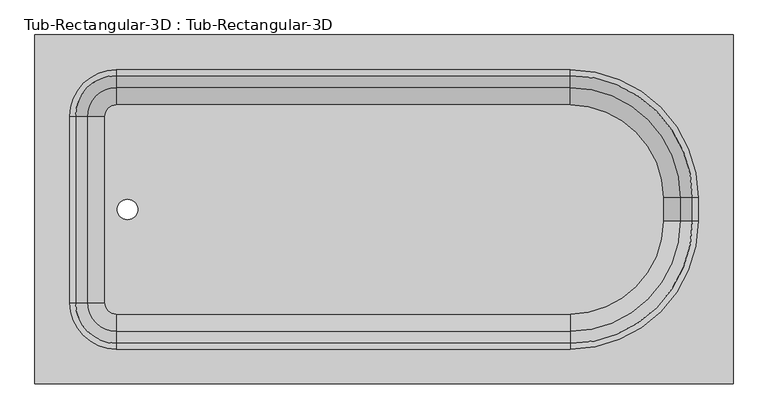
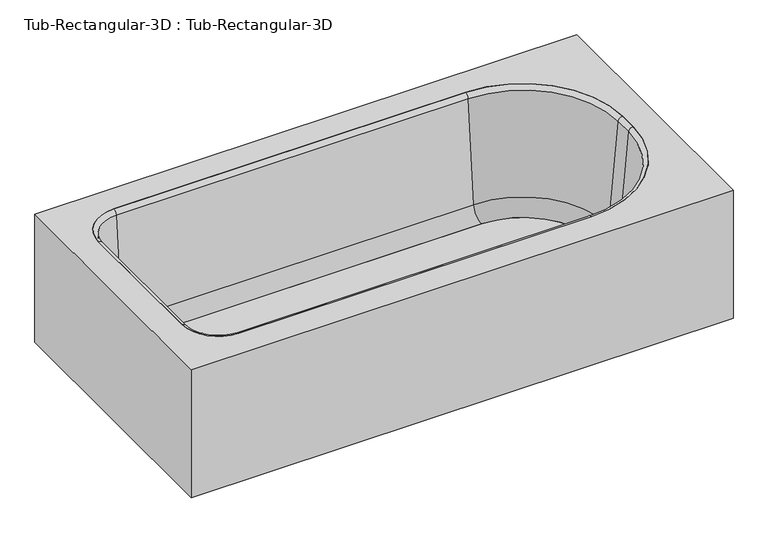
"""IFC4 building model written with IfcOpenShell, lengths in millimetres: flow terminal geometry, Tub-Rectangular-3D : Tub-Rectangular-3D."""

from ifc_helpers import new_model, si_unit, point, frame, frame_2d, origin, place, context, project, spatial, polyline, circle_curve, ellipse_curve, trimmed, segment, composite_curve, outline, extrude, source, transform, mapped, element, save
from ifc_brep_helpers import plane_surface, cylinder_surface, revolved_surface, advanced_brep


def tub_rectangular_3d_tub_rectangular_3d_e7260683(model_context):
    return source(origin(), model_context, "Body", "SolidModel", [
        advanced_brep(
        [(413.3970313, 885.825, 381.0), (-1110.6029687, 885.825, 381.0), (-1110.6029687, 123.825, 381.0), (413.3970313, 123.825, 381.0), (-932.8029687, 809.625, 381.0), (57.7970313, 809.625, 381.0), (337.1970313, 530.225, 381.0), (337.1970313, 479.425, 381.0), (57.7970313, 200.025, 381.0), (-932.8029687, 200.025, 381.0), (-1034.4029687, 301.625, 381.0), (-1034.4029687, 708.025, 381.0), (394.3470313, 866.775, 361.95), (394.3470313, 142.875, 361.95), (-1091.5529687, 142.875, 361.95), (-1091.5529687, 866.775, 361.95), (-932.8029687, 809.625, 361.95), (-1034.4029687, 708.025, 361.95), (-1034.4029687, 301.625, 361.95), (-932.8029687, 200.025, 361.95), (57.7970313, 200.025, 361.95), (337.1970313, 479.425, 361.95), (337.1970313, 530.225, 361.95), (57.7970313, 809.625, 361.95), (413.3970313, 885.825, 0.0), (-1110.6029687, 885.825, 0.0), (-1110.6029687, 123.825, 0.0), (413.3970313, 123.825, 0.0), (394.3470313, 866.775, 0.0), (-1091.5529687, 866.775, 0.0), (-1091.5529687, 142.875, 0.0), (394.3470313, 142.875, 0.0)],
        [
            (0, 1),
            (1, 2),
            (2, 3),
            (3, 0),
            (4, 5),
            (5, 6, circle_curve(frame((57.7970313, 530.225, 381.0), z_axis=(0.0, 0.0, -1.0), x_axis=(0.0, 1.0, 0.0)), 279.4)),
            (6, 7),
            (7, 8, circle_curve(frame((57.7970313, 479.425, 381.0), z_axis=(0.0, 0.0, -1.0), x_axis=(0.0, 1.0, 0.0)), 279.4)),
            (8, 9),
            (9, 10, circle_curve(frame((-932.8029687, 301.625, 381.0), z_axis=(0.0, 0.0, -1.0), x_axis=(0.0, 1.0, 0.0)), 101.6)),
            (10, 11),
            (11, 4, circle_curve(frame((-932.8029687, 708.025, 381.0), z_axis=(0.0, 0.0, -1.0), x_axis=(0.0, 1.0, 0.0)), 101.6)),
            (12, 13),
            (13, 14),
            (14, 15),
            (15, 12),
            (16, 17, circle_curve(frame((-932.8029687, 708.025, 361.95), z_axis=(0.0, 0.0, 1.0), x_axis=(0.0, 1.0, 0.0)), 101.6)),
            (17, 18),
            (18, 19, circle_curve(frame((-932.8029687, 301.625, 361.95), z_axis=(0.0, 0.0, 1.0), x_axis=(0.0, 1.0, 0.0)), 101.6)),
            (19, 20),
            (20, 21, circle_curve(frame((57.7970313, 479.425, 361.95), z_axis=(0.0, 0.0, 1.0), x_axis=(0.0, 1.0, 0.0)), 279.4)),
            (21, 22),
            (22, 23, circle_curve(frame((57.7970313, 530.225, 361.95), z_axis=(0.0, 0.0, 1.0), x_axis=(0.0, 1.0, 0.0)), 279.4)),
            (23, 16),
            (0, 24),
            (24, 25),
            (25, 1),
            (25, 26),
            (26, 2),
            (26, 27),
            (27, 3),
            (27, 24),
            (4, 16),
            (23, 5),
            (22, 6),
            (21, 7),
            (20, 8),
            (19, 9),
            (18, 10),
            (17, 11),
            (28, 29),
            (29, 30),
            (30, 31),
            (31, 28),
            (31, 13),
            (12, 28),
            (30, 14),
            (29, 15),
        ],
        [
            plane_surface(frame((-1110.6029687, 885.825, 381.0), z_axis=(0.0, 0.0, 1.0), x_axis=(-1.0, 0.0, 0.0))),
            plane_surface(frame((-1110.6029687, 885.825, 361.95), z_axis=(0.0, 0.0, -1.0), x_axis=(1.0, 0.0, 0.0))),
            plane_surface(frame((413.3970313, 885.825, 381.0), z_axis=(0.0, 1.0, 0.0), x_axis=(0.0, 0.0, -1.0))),
            plane_surface(frame((-1110.6029687, 885.825, 381.0), z_axis=(-1.0, 0.0, 0.0), x_axis=(0.0, 0.0, -1.0))),
            plane_surface(frame((-1110.6029687, 123.825, 381.0), z_axis=(0.0, -1.0, 0.0), x_axis=(0.0, 0.0, -1.0))),
            plane_surface(frame((413.3970313, 123.825, 381.0), z_axis=(1.0, 0.0, 0.0), x_axis=(0.0, 0.0, -1.0))),
            plane_surface(frame((-932.8029687, 809.625, 381.0), z_axis=(0.0, -1.0, 0.0), x_axis=(0.0, 0.0, -1.0))),
            revolved_surface(polyline([(57.7970313, 809.625, 361.95), (57.7970313, 809.625, 381.0)]), (57.7970313, 530.225, 381.0), (0.0, 0.0, -1.0)),
            plane_surface(frame((337.1970313, 530.225, 381.0), z_axis=(-1.0, 0.0, 0.0), x_axis=(0.0, 0.0, -1.0))),
            revolved_surface(polyline([(57.7970313, 758.825, 361.95), (57.7970313, 758.825, 381.0)]), (57.7970313, 479.425, 381.0), (0.0, 0.0, -1.0)),
            plane_surface(frame((57.7970313, 200.025, 381.0), z_axis=(0.0, 1.0, 0.0), x_axis=(0.0, 0.0, -1.0))),
            revolved_surface(polyline([(-932.8029687, 403.225, 361.95), (-932.8029687, 403.225, 381.0)]), (-932.8029687, 301.625, 381.0), (0.0, 0.0, -1.0)),
            plane_surface(frame((-1034.4029687, 301.625, 381.0), z_axis=(1.0, 0.0, 0.0), x_axis=(0.0, 0.0, -1.0))),
            revolved_surface(polyline([(-932.8029687, 809.625, 361.95), (-932.8029687, 809.625, 381.0)]), (-932.8029687, 708.025, 381.0), (0.0, 0.0, -1.0)),
            plane_surface(frame((-1110.6029687, 885.825, 0.0), z_axis=(0.0, 0.0, -1.0), x_axis=(1.0, 0.0, 0.0))),
            plane_surface(frame((394.3470313, 866.775, 361.95), z_axis=(-1.0, 0.0, 0.0), x_axis=(0.0, 0.0, -1.0))),
            plane_surface(frame((394.3470313, 142.875, 361.95), z_axis=(0.0, 1.0, 0.0), x_axis=(0.0, 0.0, -1.0))),
            plane_surface(frame((-1091.5529687, 142.875, 361.95), z_axis=(1.0, 0.0, 0.0), x_axis=(0.0, 0.0, -1.0))),
            plane_surface(frame((-1091.5529687, 866.775, 361.95), z_axis=(0.0, -1.0, 0.0), x_axis=(0.0, 0.0, -1.0))),
        ],
        [
            (0, [[1, 2, 3, 4], [5, 6, 7, 8, 9, 10, 11, 12]]),
            (1, [[13, 14, 15, 16], [17, 18, 19, 20, 21, 22, 23, 24]]),
            (2, [[-1, 25, 26, 27]]),
            (3, [[-2, -27, 28, 29]]),
            (4, [[-3, -29, 30, 31]]),
            (5, [[-25, -4, -31, 32]]),
            (6, [[-5, 33, -24, 34]]),
            (7, [[-6, -34, -23, 35]]),
            (8, [[-7, -35, -22, 36]]),
            (9, [[-8, -36, -21, 37]]),
            (10, [[-9, -37, -20, 38]]),
            (11, [[-10, -38, -19, 39]]),
            (12, [[-11, -39, -18, 40]]),
            (13, [[-12, -40, -17, -33]]),
            (14, [[-32, -30, -28, -26], [41, 42, 43, 44]]),
            (15, [[-44, 45, -13, 46]]),
            (16, [[-43, 47, -14, -45]]),
            (17, [[-42, 48, -15, -47]]),
            (18, [[-41, -46, -16, -48]]),
        ],
    ),
        extrude(outline(composite_curve([segment(trimmed(circle_curve(frame_2d((57.7970313, 530.225)), 202.7964741), [point((57.7970313, 733.0214741))], [point((260.5935054, 530.225))], False, "CARTESIAN"), True, "CONTINUOUS"), segment(polyline([(260.5935054, 530.225), (260.5935054, 479.425)]), True, "CONTINUOUS"), segment(trimmed(circle_curve(frame_2d((57.7970313, 479.425)), 202.7964741), [point((260.5935054, 479.425))], [point((57.7970313, 276.6285259))], False, "CARTESIAN"), True, "CONTINUOUS"), segment(polyline([(57.7970313, 276.6285259), (-932.8029687, 276.6285259)]), True, "CONTINUOUS"), segment(trimmed(circle_curve(frame_2d((-932.8029687, 301.625)), 24.9964741), [point((-932.8029687, 276.6285259))], [point((-957.7994428, 301.625))], False, "CARTESIAN"), True, "CONTINUOUS"), segment(polyline([(-957.7994428, 301.625), (-957.7994428, 708.025)]), True, "CONTINUOUS"), segment(trimmed(circle_curve(frame_2d((-932.8029687, 708.025)), 24.9964741), [point((-957.7994428, 708.025))], [point((-932.8029687, 733.0214741))], False, "CARTESIAN"), True, "CONTINUOUS"), segment(polyline([(-932.8029687, 733.0214741), (57.7970313, 733.0214741)]), True, "CONTINUOUS")], self_intersect=False), holes=[composite_curve([segment(trimmed(circle_curve(frame_2d((-908.510206, 504.825)), 22.225), [point((-908.510206, 527.05))], [point((-908.510206, 482.6))], True, "CARTESIAN"), True, "CONTINUOUS"), segment(trimmed(circle_curve(frame_2d((-908.510206, 504.825)), 22.225), [point((-908.510206, 482.6))], [point((-908.510206, 527.05))], True, "CARTESIAN"), True, "CONTINUOUS")], self_intersect=False)]), frame((0.0, 0.0, 16.863573), z_axis=(0.0, 0.0, 1.0), x_axis=(1.0, 0.0, 0.0)), (0.0, 0.0, 1.0), 19.05),
        advanced_brep(
        [(-995.7544608, 708.025, 70.6929392), (-932.8029687, 770.9764921, 70.6929392), (-932.8029687, 797.1470035, 369.8232535), (-1021.9249722, 708.025, 369.8232535), (-957.7994428, 708.025, 35.913573), (-932.8029687, 733.0214741, 35.913573), (-957.7994428, 708.025, 16.863573), (-932.8029687, 733.0214741, 16.863573), (-1034.4029687, 708.025, 16.863573), (-932.8029687, 809.625, 16.863573), (-1034.4029687, 708.025, 381.0), (-932.8029687, 809.625, 381.0), (-1021.9249722, 301.625, 369.8232535), (-995.7544608, 301.625, 70.6929392), (-957.7994428, 301.625, 35.913573), (-957.7994428, 301.625, 16.863573), (-1034.4029687, 301.625, 16.863573), (-1034.4029687, 301.625, 381.0), (-932.8029687, 238.6735079, 70.6929392), (-932.8029687, 212.5029965, 369.8232535), (-932.8029687, 276.6285259, 35.913573), (-932.8029687, 276.6285259, 16.863573), (-932.8029687, 200.025, 16.863573), (-932.8029687, 200.025, 381.0), (57.7970313, 212.5029965, 369.8232535), (57.7970313, 238.6735079, 70.6929392), (57.7970313, 276.6285259, 35.913573), (57.7970313, 276.6285259, 16.863573), (57.7970313, 200.025, 16.863573), (57.7970313, 200.025, 381.0), (298.5485234, 479.425, 70.6929392), (324.7190348, 479.425, 369.8232535), (260.5935054, 479.425, 35.913573), (260.5935054, 479.425, 16.863573), (337.1970313, 479.425, 16.863573), (337.1970313, 479.425, 381.0), (324.7190348, 530.225, 369.8232535), (298.5485234, 530.225, 70.6929392), (260.5935054, 530.225, 35.913573), (260.5935054, 530.225, 16.863573), (337.1970313, 530.225, 16.863573), (337.1970313, 530.225, 381.0), (57.7970313, 770.9764921, 70.6929392), (57.7970313, 797.1470035, 369.8232535), (57.7970313, 733.0214741, 35.913573), (57.7970313, 733.0214741, 16.863573), (57.7970313, 809.625, 16.863573), (57.7970313, 809.625, 381.0)],
        [
            (0, 1, circle_curve(frame((-932.8029687, 708.025, 70.6929392), z_axis=(0.0, 0.0, -1.0), x_axis=(0.0, 1.0, 0.0)), 62.9514921)),
            (1, 2),
            (2, 3, circle_curve(frame((-932.8029687, 708.025, 369.8232535), z_axis=(0.0, 0.0, 1.0), x_axis=(0.0, 1.0, 0.0)), 89.1220035)),
            (3, 0),
            (4, 5, circle_curve(frame((-932.8029687, 708.025, 35.913573), z_axis=(0.0, 0.0, -1.0), x_axis=(0.0, 1.0, 0.0)), 24.9964741)),
            (5, 1, circle_curve(frame((-932.8029687, 733.0214741, 74.013573), z_axis=(1.0, 0.0, 0.0), x_axis=(0.0, -1.0, 0.0)), 38.1)),
            (0, 4, circle_curve(frame((-957.7994428, 708.025, 74.013573), z_axis=(0.0, -1.0, 0.0), x_axis=(1.0, 0.0, 0.0)), 38.1)),
            (6, 7, circle_curve(frame((-932.8029687, 708.025, 16.863573), z_axis=(0.0, 0.0, -1.0), x_axis=(0.0, 1.0, 0.0)), 24.9964741)),
            (7, 5),
            (4, 6),
            (8, 9, circle_curve(frame((-932.8029687, 708.025, 16.863573), z_axis=(0.0, 0.0, -1.0), x_axis=(0.0, 1.0, 0.0)), 101.6)),
            (9, 7),
            (6, 8),
            (10, 11, circle_curve(frame((-932.8029687, 708.025, 381.0), z_axis=(0.0, 0.0, -1.0), x_axis=(0.0, 1.0, 0.0)), 101.6)),
            (11, 9),
            (8, 10),
            (2, 11, circle_curve(frame((-932.8029687, 809.625, 368.4462547), z_axis=(-1.0, 0.0, 0.0), x_axis=(0.0, -1.0, 0.0)), 12.5537453)),
            (10, 3, circle_curve(frame((-1034.4029687, 708.025, 368.4462547), z_axis=(0.0, 1.0, 0.0), x_axis=(1.0, 0.0, 0.0)), 12.5537453)),
            (3, 12),
            (12, 13),
            (13, 0),
            (13, 14, circle_curve(frame((-957.7994428, 301.625, 74.013573), z_axis=(0.0, -1.0, 0.0), x_axis=(1.0, 0.0, 0.0)), 38.1)),
            (14, 4),
            (14, 15),
            (15, 6),
            (15, 16),
            (16, 8),
            (16, 17),
            (17, 10),
            (17, 12, circle_curve(frame((-1034.4029687, 301.625, 368.4462547), z_axis=(0.0, 1.0, 0.0), x_axis=(1.0, 0.0, 0.0)), 12.5537453)),
            (18, 13, circle_curve(frame((-932.8029687, 301.625, 70.6929392), z_axis=(0.0, 0.0, -1.0), x_axis=(-1.0, 0.0, 0.0)), 62.9514921)),
            (12, 19, circle_curve(frame((-932.8029687, 301.625, 369.8232535), z_axis=(0.0, 0.0, 1.0), x_axis=(-1.0, 0.0, 0.0)), 89.1220035)),
            (19, 18),
            (20, 14, circle_curve(frame((-932.8029687, 301.625, 35.913573), z_axis=(0.0, 0.0, -1.0), x_axis=(-1.0, 0.0, 0.0)), 24.9964741)),
            (18, 20, circle_curve(frame((-932.8029687, 276.6285259, 74.013573), z_axis=(1.0, 0.0, 0.0), x_axis=(0.0, 1.0, 0.0)), 38.1)),
            (21, 15, circle_curve(frame((-932.8029687, 301.625, 16.863573), z_axis=(0.0, 0.0, -1.0), x_axis=(-1.0, 0.0, 0.0)), 24.9964741)),
            (20, 21),
            (22, 16, circle_curve(frame((-932.8029687, 301.625, 16.863573), z_axis=(0.0, 0.0, -1.0), x_axis=(-1.0, 0.0, 0.0)), 101.6)),
            (21, 22),
            (23, 17, circle_curve(frame((-932.8029687, 301.625, 381.0), z_axis=(0.0, 0.0, -1.0), x_axis=(-1.0, 0.0, 0.0)), 101.6)),
            (22, 23),
            (23, 19, circle_curve(frame((-932.8029687, 200.025, 368.4462547), z_axis=(-1.0, 0.0, 0.0), x_axis=(0.0, 1.0, 0.0)), 12.5537453)),
            (19, 24),
            (24, 25),
            (25, 18),
            (25, 26, circle_curve(frame((57.7970313, 276.6285259, 74.013573), z_axis=(1.0, 0.0, 0.0), x_axis=(0.0, 1.0, 0.0)), 38.1)),
            (26, 20),
            (26, 27),
            (27, 21),
            (27, 28),
            (28, 22),
            (28, 29),
            (29, 23),
            (29, 24, circle_curve(frame((57.7970313, 200.025, 368.4462547), z_axis=(-1.0, 0.0, 0.0), x_axis=(0.0, 1.0, 0.0)), 12.5537453)),
            (30, 25, circle_curve(frame((57.7970313, 479.425, 70.6929392), z_axis=(0.0, 0.0, -1.0), x_axis=(0.0, -1.0, 0.0)), 240.7514921)),
            (24, 31, circle_curve(frame((57.7970313, 479.425, 369.8232535), z_axis=(0.0, 0.0, 1.0), x_axis=(0.0, -1.0, 0.0)), 266.9220035)),
            (31, 30),
            (32, 26, circle_curve(frame((57.7970313, 479.425, 35.913573), z_axis=(0.0, 0.0, -1.0), x_axis=(0.0, -1.0, 0.0)), 202.7964741)),
            (30, 32, circle_curve(frame((260.5935054, 479.425, 74.013573), z_axis=(0.0, 1.0, 0.0), x_axis=(-1.0, 0.0, 0.0)), 38.1)),
            (33, 27, circle_curve(frame((57.7970313, 479.425, 16.863573), z_axis=(0.0, 0.0, -1.0), x_axis=(0.0, -1.0, 0.0)), 202.7964741)),
            (32, 33),
            (34, 28, circle_curve(frame((57.7970313, 479.425, 16.863573), z_axis=(0.0, 0.0, -1.0), x_axis=(0.0, -1.0, 0.0)), 279.4)),
            (33, 34),
            (35, 29, circle_curve(frame((57.7970313, 479.425, 381.0), z_axis=(0.0, 0.0, -1.0), x_axis=(0.0, -1.0, 0.0)), 279.4)),
            (34, 35),
            (35, 31, circle_curve(frame((337.1970313, 479.425, 368.4462547), z_axis=(0.0, -1.0, 0.0), x_axis=(-1.0, 0.0, 0.0)), 12.5537453)),
            (31, 36),
            (36, 37),
            (37, 30),
            (37, 38, circle_curve(frame((260.5935054, 530.225, 74.013573), z_axis=(0.0, 1.0, 0.0), x_axis=(-1.0, 0.0, 0.0)), 38.1)),
            (38, 32),
            (38, 39),
            (39, 33),
            (39, 40),
            (40, 34),
            (40, 41),
            (41, 35),
            (41, 36, circle_curve(frame((337.1970313, 530.225, 368.4462547), z_axis=(0.0, -1.0, 0.0), x_axis=(-1.0, 0.0, 0.0)), 12.5537453)),
            (42, 37, circle_curve(frame((57.7970313, 530.225, 70.6929392), z_axis=(0.0, 0.0, -1.0), x_axis=(1.0, 0.0, 0.0)), 240.7514921)),
            (36, 43, circle_curve(frame((57.7970313, 530.225, 369.8232535), z_axis=(0.0, 0.0, 1.0), x_axis=(1.0, 0.0, 0.0)), 266.9220035)),
            (43, 42),
            (44, 38, circle_curve(frame((57.7970313, 530.225, 35.913573), z_axis=(0.0, 0.0, -1.0), x_axis=(1.0, 0.0, 0.0)), 202.7964741)),
            (42, 44, circle_curve(frame((57.7970313, 733.0214741, 74.013573), z_axis=(-1.0, 0.0, 0.0), x_axis=(0.0, -1.0, 0.0)), 38.1)),
            (45, 39, circle_curve(frame((57.7970313, 530.225, 16.863573), z_axis=(0.0, 0.0, -1.0), x_axis=(1.0, 0.0, 0.0)), 202.7964741)),
            (44, 45),
            (46, 40, circle_curve(frame((57.7970313, 530.225, 16.863573), z_axis=(0.0, 0.0, -1.0), x_axis=(1.0, 0.0, 0.0)), 279.4)),
            (45, 46),
            (47, 41, circle_curve(frame((57.7970313, 530.225, 381.0), z_axis=(0.0, 0.0, -1.0), x_axis=(1.0, 0.0, 0.0)), 279.4)),
            (46, 47),
            (47, 43, circle_curve(frame((57.7970313, 809.625, 368.4462547), z_axis=(1.0, 0.0, 0.0), x_axis=(0.0, -1.0, 0.0)), 12.5537453)),
            (43, 2),
            (1, 42),
            (5, 44),
            (7, 45),
            (9, 46),
            (11, 47),
        ],
        [
            revolved_surface(polyline([(-932.8029687, 797.1470035, 369.8232535), (-932.8029687, 770.9764921, 70.6929392)]), (-932.8029687, 708.025, 381.0), (0.0, 0.0, 1.0)),
            revolved_surface(trimmed(ellipse_curve(frame((-932.8029687, 733.0214741, 74.013573), z_axis=(-1.0, 0.0, 0.0), x_axis=(0.0, -1.0, 0.0)), 38.1, 38.1), [point((-932.8029687, 770.9764921, 70.6929392))], [point((-932.8029687, 733.0214741, 35.913573))], True, "CARTESIAN"), (-932.8029687, 708.025, 381.0), (0.0, 0.0, 1.0)),
            revolved_surface(polyline([(-932.8029687, 733.0214741, 35.913572999999985), (-932.8029687, 733.0214741, 16.863572999999974)]), (-932.8029687, 708.025, 381.0), (0.0, 0.0, 1.0)),
            plane_surface(frame((-932.8029687, 708.025, 16.863573), z_axis=(0.0, 0.0, -1.0), x_axis=(0.0, 1.0, 0.0))),
            cylinder_surface(frame((-932.8029687, 708.025, 381.0), z_axis=(0.0, 0.0, 1.0), x_axis=(0.0, 1.0, 0.0)), 101.6),
            revolved_surface(trimmed(ellipse_curve(frame((-932.8029687, 809.625, 368.4462547), z_axis=(1.0, 0.0, 0.0), x_axis=(0.0, -1.0, 0.0)), 12.5537453, 12.5537453), [point((-932.8029687, 809.625, 381.0))], [point((-932.8029687, 797.1470035, 369.8232535))], True, "CARTESIAN"), (-932.8029687, 708.025, 381.0), (0.0, 0.0, 1.0)),
            plane_surface(frame((-1021.9249722, 708.025, 369.8232535), z_axis=(0.9961946980917458, 0.0, 0.08715574274765589), x_axis=(0.0, -1.0, 0.0))),
            revolved_surface(polyline([(-919.6994427999999, 301.625, 74.013573), (-919.6994427999999, 708.025, 74.013573)]), (-957.7994428, 708.025, 74.013573), (0.0, -1.0, 0.0)),
            plane_surface(frame((-957.7994428, 708.025, 35.913573), z_axis=(1.0, 0.0, 0.0), x_axis=(0.0, -1.0, 0.0))),
            plane_surface(frame((-957.7994428, 708.025, 16.863573), z_axis=(0.0, 0.0, -1.0), x_axis=(0.0, -1.0, 0.0))),
            plane_surface(frame((-1034.4029687, 708.025, 16.863573), z_axis=(-1.0, 0.0, 0.0), x_axis=(0.0, -1.0, 0.0))),
            cylinder_surface(frame((-1034.4029687, 708.025, 368.4462547), z_axis=(0.0, 1.0, 0.0), x_axis=(1.0, 0.0, 0.0)), 12.5537453),
            revolved_surface(polyline([(-1021.9249722, 301.625, 369.8232535), (-995.7544608, 301.625, 70.6929392)]), (-932.8029687, 301.625, 381.0), (0.0, 0.0, 1.0)),
            revolved_surface(trimmed(ellipse_curve(frame((-957.7994428, 301.625, 74.013573), z_axis=(0.0, -1.0, 0.0), x_axis=(1.0, 0.0, 0.0)), 38.1, 38.1), [point((-995.7544608, 301.625, 70.6929392))], [point((-957.7994428, 301.625, 35.913573))], True, "CARTESIAN"), (-932.8029687, 301.625, 381.0), (0.0, 0.0, 1.0)),
            revolved_surface(polyline([(-957.7994428, 301.625, 35.913572999999985), (-957.7994428, 301.625, 16.863572999999974)]), (-932.8029687, 301.625, 381.0), (0.0, 0.0, 1.0)),
            plane_surface(frame((-932.8029687, 301.625, 16.863573), z_axis=(0.0, 0.0, -1.0), x_axis=(-1.0, 0.0, 0.0))),
            cylinder_surface(frame((-932.8029687, 301.625, 381.0), z_axis=(0.0, 0.0, 1.0), x_axis=(-1.0, 0.0, 0.0)), 101.6),
            revolved_surface(trimmed(ellipse_curve(frame((-1034.4029687, 301.625, 368.4462547), z_axis=(0.0, 1.0, 0.0), x_axis=(1.0, 0.0, 0.0)), 12.5537453, 12.5537453), [point((-1034.4029687, 301.625, 381.0))], [point((-1021.9249722, 301.625, 369.8232535))], True, "CARTESIAN"), (-932.8029687, 301.625, 381.0), (0.0, 0.0, 1.0)),
            plane_surface(frame((-932.8029687, 212.5029965, 369.8232535), z_axis=(0.0, 0.9961946980917461, 0.08715574274765266), x_axis=(1.0, 0.0, 0.0))),
            revolved_surface(polyline([(57.79703129999996, 314.7285259, 74.013573), (-932.8029687, 314.7285259, 74.013573)]), (-932.8029687, 276.6285259, 74.013573), (1.0, 0.0, 0.0)),
            plane_surface(frame((-932.8029687, 276.6285259, 35.913573), z_axis=(0.0, 1.0, 0.0), x_axis=(1.0, 0.0, 0.0))),
            plane_surface(frame((-932.8029687, 276.6285259, 16.863573), z_axis=(0.0, 0.0, -1.0), x_axis=(1.0, 0.0, 0.0))),
            plane_surface(frame((-932.8029687, 200.025, 16.863573), z_axis=(0.0, -1.0, 0.0), x_axis=(1.0, 0.0, 0.0))),
            cylinder_surface(frame((-932.8029687, 200.025, 368.4462547), z_axis=(-1.0, 0.0, 0.0), x_axis=(0.0, 1.0, 0.0)), 12.5537453),
            revolved_surface(polyline([(57.7970313, 212.5029965, 369.8232535), (57.7970313, 238.6735079, 70.6929392)]), (57.7970313, 479.425, 381.0), (0.0, 0.0, 1.0)),
            revolved_surface(trimmed(ellipse_curve(frame((57.7970313, 276.6285259, 74.013573), z_axis=(1.0, 0.0, 0.0), x_axis=(0.0, 1.0, 0.0)), 38.1, 38.1), [point((57.7970313, 238.6735079, 70.6929392))], [point((57.7970313, 276.6285259, 35.913573))], True, "CARTESIAN"), (57.7970313, 479.425, 381.0), (0.0, 0.0, 1.0)),
            revolved_surface(polyline([(57.7970313, 276.6285259, 35.913572999999985), (57.7970313, 276.6285259, 16.863572999999974)]), (57.7970313, 479.425, 381.0), (0.0, 0.0, 1.0)),
            plane_surface(frame((57.7970313, 479.425, 16.863573), z_axis=(0.0, 0.0, -1.0), x_axis=(0.0, -1.0, 0.0))),
            cylinder_surface(frame((57.7970313, 479.425, 381.0), z_axis=(0.0, 0.0, 1.0), x_axis=(0.0, -1.0, 0.0)), 279.4),
            revolved_surface(trimmed(ellipse_curve(frame((57.7970313, 200.025, 368.4462547), z_axis=(-1.0, 0.0, 0.0), x_axis=(0.0, 1.0, 0.0)), 12.5537453, 12.5537453), [point((57.7970313, 200.025, 381.0))], [point((57.7970313, 212.5029965, 369.8232535))], True, "CARTESIAN"), (57.7970313, 479.425, 381.0), (0.0, 0.0, 1.0)),
            plane_surface(frame((324.7190348, 479.425, 369.8232535), z_axis=(-0.9961946980917464, 0.0, 0.08715574274764942), x_axis=(0.0, 1.0, 0.0))),
            revolved_surface(polyline([(222.49350540000003, 530.225, 74.013573), (222.49350540000003, 479.425, 74.013573)]), (260.5935054, 479.425, 74.013573), (0.0, 1.0, 0.0)),
            plane_surface(frame((260.5935054, 479.425, 35.913573), z_axis=(-1.0, 0.0, 0.0), x_axis=(0.0, 1.0, 0.0))),
            plane_surface(frame((260.5935054, 479.425, 16.863573), z_axis=(0.0, 0.0, -1.0), x_axis=(0.0, 1.0, 0.0))),
            plane_surface(frame((337.1970313, 479.425, 16.863573), z_axis=(1.0, 0.0, 0.0), x_axis=(0.0, 1.0, 0.0))),
            cylinder_surface(frame((337.1970313, 479.425, 368.4462547), z_axis=(0.0, -1.0, 0.0), x_axis=(-1.0, 0.0, 0.0)), 12.5537453),
            revolved_surface(polyline([(324.7190348, 530.225, 369.8232535), (298.5485234, 530.225, 70.6929392)]), (57.7970313, 530.225, 381.0), (0.0, 0.0, 1.0)),
            revolved_surface(trimmed(ellipse_curve(frame((260.5935054, 530.225, 74.013573), z_axis=(0.0, 1.0, 0.0), x_axis=(-1.0, 0.0, 0.0)), 38.1, 38.1), [point((298.5485234, 530.225, 70.6929392))], [point((260.5935054, 530.225, 35.913573))], True, "CARTESIAN"), (57.7970313, 530.225, 381.0), (0.0, 0.0, 1.0)),
            revolved_surface(polyline([(260.5935054, 530.225, 35.913572999999985), (260.5935054, 530.225, 16.863572999999974)]), (57.7970313, 530.225, 381.0), (0.0, 0.0, 1.0)),
            plane_surface(frame((57.7970313, 530.225, 16.863573), z_axis=(0.0, 0.0, -1.0), x_axis=(1.0, 0.0, 0.0))),
            cylinder_surface(frame((57.7970313, 530.225, 381.0), z_axis=(0.0, 0.0, 1.0), x_axis=(1.0, 0.0, 0.0)), 279.4),
            revolved_surface(trimmed(ellipse_curve(frame((337.1970313, 530.225, 368.4462547), z_axis=(0.0, -1.0, 0.0), x_axis=(-1.0, 0.0, 0.0)), 12.5537453, 12.5537453), [point((337.1970313, 530.225, 381.0))], [point((324.7190348, 530.225, 369.8232535))], True, "CARTESIAN"), (57.7970313, 530.225, 381.0), (0.0, 0.0, 1.0)),
            plane_surface(frame((57.7970313, 797.1470035, 369.8232535), z_axis=(0.0, -0.9961946980917461, 0.08715574274765266), x_axis=(-1.0, 0.0, 0.0))),
            revolved_surface(polyline([(-932.8029687, 694.9214741, 74.013573), (57.7970313, 694.9214741, 74.013573)]), (57.7970313, 733.0214741, 74.013573), (-1.0, 0.0, 0.0)),
            plane_surface(frame((57.7970313, 733.0214741, 35.913573), z_axis=(0.0, -1.0, 0.0), x_axis=(-1.0, 0.0, 0.0))),
            plane_surface(frame((57.7970313, 733.0214741, 16.863573), z_axis=(0.0, 0.0, -1.0), x_axis=(-1.0, 0.0, 0.0))),
            plane_surface(frame((57.7970313, 809.625, 16.863573), z_axis=(0.0, 1.0, 0.0), x_axis=(-1.0, 0.0, 0.0))),
            cylinder_surface(frame((57.7970313, 809.625, 368.4462547), z_axis=(1.0, 0.0, 0.0), x_axis=(0.0, -1.0, 0.0)), 12.5537453),
        ],
        [
            (0, [[1, 2, 3, 4]]),
            (1, [[5, 6, -1, 7]]),
            (2, [[8, 9, -5, 10]]),
            (3, [[11, 12, -8, 13]]),
            (4, [[14, 15, -11, 16]]),
            (5, [[-3, 17, -14, 18]]),
            (6, [[-4, 19, 20, 21]]),
            (7, [[-7, -21, 22, 23]]),
            (8, [[-10, -23, 24, 25]]),
            (9, [[-13, -25, 26, 27]]),
            (10, [[-16, -27, 28, 29]]),
            (11, [[-18, -29, 30, -19]]),
            (12, [[31, -20, 32, 33]]),
            (13, [[34, -22, -31, 35]]),
            (14, [[36, -24, -34, 37]]),
            (15, [[38, -26, -36, 39]]),
            (16, [[40, -28, -38, 41]]),
            (17, [[-32, -30, -40, 42]]),
            (18, [[-33, 43, 44, 45]]),
            (19, [[-35, -45, 46, 47]]),
            (20, [[-37, -47, 48, 49]]),
            (21, [[-39, -49, 50, 51]]),
            (22, [[-41, -51, 52, 53]]),
            (23, [[-42, -53, 54, -43]]),
            (24, [[55, -44, 56, 57]]),
            (25, [[58, -46, -55, 59]]),
            (26, [[60, -48, -58, 61]]),
            (27, [[62, -50, -60, 63]]),
            (28, [[64, -52, -62, 65]]),
            (29, [[-56, -54, -64, 66]]),
            (30, [[-57, 67, 68, 69]]),
            (31, [[-59, -69, 70, 71]]),
            (32, [[-61, -71, 72, 73]]),
            (33, [[-63, -73, 74, 75]]),
            (34, [[-65, -75, 76, 77]]),
            (35, [[-66, -77, 78, -67]]),
            (36, [[79, -68, 80, 81]]),
            (37, [[82, -70, -79, 83]]),
            (38, [[84, -72, -82, 85]]),
            (39, [[86, -74, -84, 87]]),
            (40, [[88, -76, -86, 89]]),
            (41, [[-80, -78, -88, 90]]),
            (42, [[-81, 91, -2, 92]]),
            (43, [[-83, -92, -6, 93]]),
            (44, [[-85, -93, -9, 94]]),
            (45, [[-87, -94, -12, 95]]),
            (46, [[-89, -95, -15, 96]]),
            (47, [[-90, -96, -17, -91]]),
        ],
    ),
    ])


if __name__ == "__main__":
    model = new_model("IFC4")
    model_context = context("Model", 3, world=origin())
    ifc_project = project(units=[si_unit("LENGTHUNIT", "METRE", prefix="MILLI")], contexts=[model_context])
    site = spatial("IfcSite", under=ifc_project)
    building = spatial("IfcBuilding", under=site)
    placement = place(None, origin())
    tub_rectangular_3d_tub_rectangular_3d_shape = tub_rectangular_3d_tub_rectangular_3d_e7260683(model_context)
    element("IfcFlowTerminal", 1, ObjectType="Tub-Rectangular-3D : Tub-Rectangular-3D", at=placement, inside=building, context=model_context, shape_type="MappedRepresentation", body=[
        mapped(tub_rectangular_3d_tub_rectangular_3d_shape, transform((0.0, 0.0, 0.0), x_axis=(1.0, 0.0, 0.0), y_axis=(0.0, 1.0, 0.0), z_axis=(0.0, 0.0, 1.0))),
    ])
    save(model, "model.ifc")
